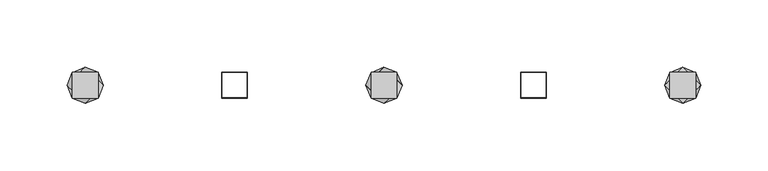
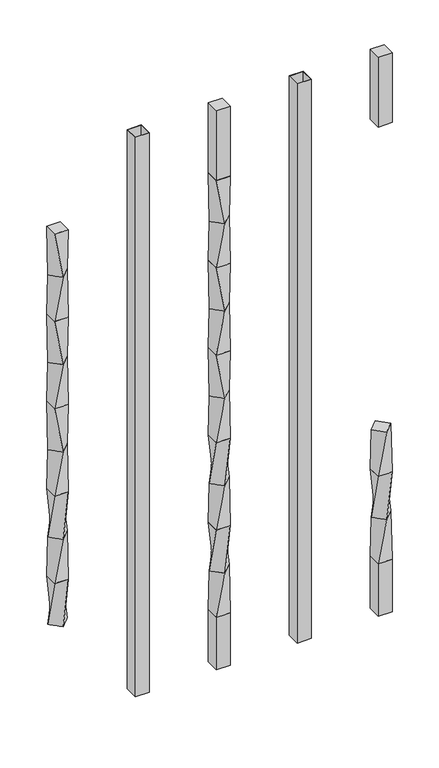
"""IFC4 building model written with IfcOpenShell, lengths in millimetres: railing geometry."""

from ifc_helpers import new_model, si_unit, frame, origin, place, context, project, spatial, polyline, outline, extrude, source, transform, mapped, element, save
from ifc_brep_helpers import plane_surface, spline_surface, advanced_brep


def railing_f73a4f4a(model_context):
    return source(origin(), model_context, "Body", "SolidModel", [
        advanced_brep(
        [(14851.6420044, -60563.4367982, 368.2958781), (14865.1123886, -60549.966414, 368.2958781), (14851.6420044, -60536.4960298, 368.2958781), (14838.1716203, -60549.966414, 368.2958781), (14842.1170044, -60559.491414, 304.7958781), (14842.1170044, -60540.441414, 304.7958781), (14861.1670044, -60540.441414, 304.7958781), (14861.1670044, -60559.491414, 304.7958781)],
        [
            (0, 1),
            (1, 2),
            (2, 3),
            (3, 0),
            (4, 5),
            (5, 6),
            (6, 7),
            (7, 4),
            (4, 0),
            (3, 5),
            (2, 6),
            (1, 7),
        ],
        [
            plane_surface(frame((14851.6420044, -60549.966414, 368.2958781), z_axis=(0.0, 0.0, 1.0), x_axis=(-0.7071067811865477, -0.7071067811865475, 0.0))),
            plane_surface(frame((14851.6420044, -60549.966414, 304.7958781), z_axis=(0.0, 0.0, -1.0), x_axis=(-0.7071067811865477, -0.7071067811865475, 0.0))),
            spline_surface(1, 1, [[(14842.1170044, -60559.491414, 304.7958781), (14842.1170044, -60540.441414, 304.7958781)], [(14851.6420044, -60563.4367982, 368.2958781), (14838.1716203, -60549.966414, 368.2958781)]], [2, 2], [2, 2], [0.0, 1.0], [0.0, 1.0]),
            spline_surface(1, 1, [[(14842.1170044, -60540.441414, 304.7958781), (14861.1670044, -60540.441414, 304.7958781)], [(14838.1716203, -60549.966414, 368.2958781), (14851.6420044, -60536.4960298, 368.2958781)]], [2, 2], [2, 2], [0.0, 1.0], [0.0, 1.0]),
            spline_surface(1, 1, [[(14861.1670044, -60540.441414, 304.7958781), (14861.1670044, -60559.491414, 304.7958781)], [(14851.6420044, -60536.4960298, 368.2958781), (14865.1123886, -60549.966414, 368.2958781)]], [2, 2], [2, 2], [0.0, 1.0], [0.0, 1.0]),
            spline_surface(1, 1, [[(14861.1670044, -60559.491414, 304.7958781), (14842.1170044, -60559.491414, 304.7958781)], [(14865.1123886, -60549.966414, 368.2958781), (14851.6420044, -60563.4367982, 368.2958781)]], [2, 2], [2, 2], [0.0, 1.0], [0.0, 1.0]),
        ],
        [
            (0, [[1, 2, 3, 4]]),
            (1, [[5, 6, 7, 8]]),
            (2, [[9, -4, 10, -5]]),
            (3, [[-10, -3, 11, -6]]),
            (4, [[-11, -2, 12, -7]]),
            (5, [[-12, -1, -9, -8]]),
        ],
    ),
        advanced_brep(
        [(14842.1170044, -60559.491414, 304.7958781), (14861.1670044, -60559.491414, 304.7958781), (14861.1670044, -60540.441414, 304.7958781), (14842.1170044, -60540.441414, 304.7958781), (14838.1716203, -60549.966414, 241.2958781), (14851.6420044, -60536.4960298, 241.2958781), (14865.1123886, -60549.966414, 241.2958781), (14851.6420044, -60563.4367982, 241.2958781)],
        [
            (0, 1),
            (1, 2),
            (2, 3),
            (3, 0),
            (4, 5),
            (5, 6),
            (6, 7),
            (7, 4),
            (4, 0),
            (3, 5),
            (2, 6),
            (1, 7),
        ],
        [
            plane_surface(frame((14851.6420044, -60549.966414, 304.7958781), z_axis=(0.0, 0.0, 1.0), x_axis=(0.0, 1.0, 0.0))),
            plane_surface(frame((14851.6420044, -60549.966414, 241.2958781), z_axis=(0.0, 0.0, -1.0), x_axis=(0.0, 1.0, 0.0))),
            spline_surface(1, 1, [[(14838.1716203, -60549.966414, 241.2958781), (14851.6420044, -60536.4960298, 241.2958781)], [(14842.1170044, -60559.491414, 304.7958781), (14842.1170044, -60540.441414, 304.7958781)]], [2, 2], [2, 2], [0.0, 1.0], [0.0, 1.0]),
            spline_surface(1, 1, [[(14851.6420044, -60536.4960298, 241.2958781), (14865.1123886, -60549.966414, 241.2958781)], [(14842.1170044, -60540.441414, 304.7958781), (14861.1670044, -60540.441414, 304.7958781)]], [2, 2], [2, 2], [0.0, 1.0], [0.0, 1.0]),
            spline_surface(1, 1, [[(14865.1123886, -60549.966414, 241.2958781), (14851.6420044, -60563.4367982, 241.2958781)], [(14861.1670044, -60540.441414, 304.7958781), (14861.1670044, -60559.491414, 304.7958781)]], [2, 2], [2, 2], [0.0, 1.0], [0.0, 1.0]),
            spline_surface(1, 1, [[(14851.6420044, -60563.4367982, 241.2958781), (14838.1716203, -60549.966414, 241.2958781)], [(14861.1670044, -60559.491414, 304.7958781), (14842.1170044, -60559.491414, 304.7958781)]], [2, 2], [2, 2], [0.0, 1.0], [0.0, 1.0]),
        ],
        [
            (0, [[1, 2, 3, 4]]),
            (1, [[5, 6, 7, 8]]),
            (2, [[9, -4, 10, -5]]),
            (3, [[-10, -3, 11, -6]]),
            (4, [[-11, -2, 12, -7]]),
            (5, [[-12, -1, -9, -8]]),
        ],
    ),
        advanced_brep(
        [(14851.6420044, -60563.4367982, 241.2958781), (14865.1123886, -60549.966414, 241.2958781), (14851.6420044, -60536.4960298, 241.2958781), (14838.1716203, -60549.966414, 241.2958781), (14842.1170044, -60559.491414, 177.7958781), (14842.1170044, -60540.441414, 177.7958781), (14861.1670044, -60540.441414, 177.7958781), (14861.1670044, -60559.491414, 177.7958781)],
        [
            (0, 1),
            (1, 2),
            (2, 3),
            (3, 0),
            (4, 5),
            (5, 6),
            (6, 7),
            (7, 4),
            (4, 0),
            (3, 5),
            (2, 6),
            (1, 7),
        ],
        [
            plane_surface(frame((14851.6420044, -60549.966414, 241.2958781), z_axis=(0.0, 0.0, 1.0), x_axis=(-0.7071067811865478, 0.7071067811865474, 0.0))),
            plane_surface(frame((14851.6420044, -60549.966414, 177.7958781), z_axis=(0.0, 0.0, -1.0), x_axis=(-0.7071067811865478, 0.7071067811865474, 0.0))),
            spline_surface(1, 1, [[(14842.1170044, -60559.491414, 177.7958781), (14842.1170044, -60540.441414, 177.7958781)], [(14851.6420044, -60563.4367982, 241.2958781), (14838.1716203, -60549.966414, 241.2958781)]], [2, 2], [2, 2], [0.0, 1.0], [0.0, 1.0]),
            spline_surface(1, 1, [[(14842.1170044, -60540.441414, 177.7958781), (14861.1670044, -60540.441414, 177.7958781)], [(14838.1716203, -60549.966414, 241.2958781), (14851.6420044, -60536.4960298, 241.2958781)]], [2, 2], [2, 2], [0.0, 1.0], [0.0, 1.0]),
            spline_surface(1, 1, [[(14861.1670044, -60540.441414, 177.7958781), (14861.1670044, -60559.491414, 177.7958781)], [(14851.6420044, -60536.4960298, 241.2958781), (14865.1123886, -60549.966414, 241.2958781)]], [2, 2], [2, 2], [0.0, 1.0], [0.0, 1.0]),
            spline_surface(1, 1, [[(14861.1670044, -60559.491414, 177.7958781), (14842.1170044, -60559.491414, 177.7958781)], [(14865.1123886, -60549.966414, 241.2958781), (14851.6420044, -60563.4367982, 241.2958781)]], [2, 2], [2, 2], [0.0, 1.0], [0.0, 1.0]),
        ],
        [
            (0, [[1, 2, 3, 4]]),
            (1, [[5, 6, 7, 8]]),
            (2, [[9, -4, 10, -5]]),
            (3, [[-10, -3, 11, -6]]),
            (4, [[-11, -2, 12, -7]]),
            (5, [[-12, -1, -9, -8]]),
        ],
    ),
        extrude(outline(polyline([(14842.1170044, -60559.491414), (14842.1170044, -60540.441414), (14861.1670044, -60540.441414), (14861.1670044, -60559.491414), (14842.1170044, -60559.491414)])), frame((0.0, 0.0, 812.7958781), z_axis=(0.0, 0.0, 1.0), x_axis=(1.0, 0.0, 0.0)), (0.0, 0.0, 1.0), 101.6041219),
        extrude(outline(polyline([(14842.1170044, -60559.491414), (14842.1170044, -60540.441414), (14861.1670044, -60540.441414), (14861.1670044, -60559.491414), (14842.1170044, -60559.491414)])), frame((0.0, 0.0, 101.5958781), z_axis=(0.0, 0.0, 1.0), x_axis=(1.0, 0.0, 0.0)), (0.0, 0.0, 1.0), 76.2),
        extrude(outline(polyline([(14730.8650044, -60559.491414), (14730.8650044, -60540.441414), (14749.9150044, -60540.441414), (14749.9150044, -60559.491414), (14730.8650044, -60559.491414)]), holes=[polyline([(14731.2618794, -60559.094539), (14749.5181294, -60559.094539), (14749.5181294, -60540.838289), (14731.2618794, -60540.838289), (14731.2618794, -60559.094539)])]), frame((0.0, 0.0, 101.5958781), z_axis=(0.0, 0.0, 1.0), x_axis=(1.0, 0.0, 0.0)), (0.0, 0.0, 1.0), 812.8041219),
        advanced_brep(
        [(14638.6630044, -60559.491414, 812.7958781), (14638.6630044, -60540.441414, 812.7958781), (14619.6130044, -60540.441414, 812.7958781), (14619.6130044, -60559.491414, 812.7958781), (14642.6083886, -60549.966414, 749.2958781), (14629.1380044, -60563.4367982, 749.2958781), (14615.6676203, -60549.966414, 749.2958781), (14629.1380044, -60536.4960298, 749.2958781)],
        [
            (0, 1),
            (1, 2),
            (2, 3),
            (3, 0),
            (4, 5),
            (5, 6),
            (6, 7),
            (7, 4),
            (4, 0),
            (3, 5),
            (2, 6),
            (1, 7),
        ],
        [
            plane_surface(frame((14629.1380044, -60549.966414, 812.7958781), z_axis=(0.0, 0.0, 1.0), x_axis=(0.0, 1.0, 0.0))),
            plane_surface(frame((14629.1380044, -60549.966414, 749.2958781), z_axis=(0.0, 0.0, -1.0), x_axis=(0.0, 1.0, 0.0))),
            spline_surface(1, 1, [[(14642.6083886, -60549.966414, 749.2958781), (14629.1380044, -60563.4367982, 749.2958781)], [(14638.6630044, -60559.491414, 812.7958781), (14619.6130044, -60559.491414, 812.7958781)]], [2, 2], [2, 2], [0.0, 1.0], [0.0, 1.0]),
            spline_surface(1, 1, [[(14629.1380044, -60563.4367982, 749.2958781), (14615.6676203, -60549.966414, 749.2958781)], [(14619.6130044, -60559.491414, 812.7958781), (14619.6130044, -60540.441414, 812.7958781)]], [2, 2], [2, 2], [0.0, 1.0], [0.0, 1.0]),
            spline_surface(1, 1, [[(14615.6676203, -60549.966414, 749.2958781), (14629.1380044, -60536.4960298, 749.2958781)], [(14619.6130044, -60540.441414, 812.7958781), (14638.6630044, -60540.441414, 812.7958781)]], [2, 2], [2, 2], [0.0, 1.0], [0.0, 1.0]),
            spline_surface(1, 1, [[(14629.1380044, -60536.4960298, 749.2958781), (14642.6083886, -60549.966414, 749.2958781)], [(14638.6630044, -60540.441414, 812.7958781), (14638.6630044, -60559.491414, 812.7958781)]], [2, 2], [2, 2], [0.0, 1.0], [0.0, 1.0]),
        ],
        [
            (0, [[1, 2, 3, 4]]),
            (1, [[5, 6, 7, 8]]),
            (2, [[9, -4, 10, -5]]),
            (3, [[-10, -3, 11, -6]]),
            (4, [[-11, -2, 12, -7]]),
            (5, [[-12, -1, -9, -8]]),
        ],
    ),
        advanced_brep(
        [(14629.1380044, -60563.4367982, 749.2958781), (14642.6083886, -60549.966414, 749.2958781), (14629.1380044, -60536.4960298, 749.2958781), (14615.6676203, -60549.966414, 749.2958781), (14619.6130044, -60559.491414, 685.7958781), (14619.6130044, -60540.441414, 685.7958781), (14638.6630044, -60540.441414, 685.7958781), (14638.6630044, -60559.491414, 685.7958781)],
        [
            (0, 1),
            (1, 2),
            (2, 3),
            (3, 0),
            (4, 5),
            (5, 6),
            (6, 7),
            (7, 4),
            (4, 0),
            (3, 5),
            (2, 6),
            (1, 7),
        ],
        [
            plane_surface(frame((14629.1380044, -60549.966414, 749.2958781), z_axis=(0.0, 0.0, 1.0), x_axis=(-0.7071067811865477, -0.7071067811865474, 0.0))),
            plane_surface(frame((14629.1380044, -60549.966414, 685.7958781), z_axis=(0.0, 0.0, -1.0), x_axis=(-0.7071067811865477, -0.7071067811865474, 0.0))),
            spline_surface(1, 1, [[(14619.6130044, -60559.491414, 685.7958781), (14619.6130044, -60540.441414, 685.7958781)], [(14629.1380044, -60563.4367982, 749.2958781), (14615.6676203, -60549.966414, 749.2958781)]], [2, 2], [2, 2], [0.0, 1.0], [0.0, 1.0]),
            spline_surface(1, 1, [[(14619.6130044, -60540.441414, 685.7958781), (14638.6630044, -60540.441414, 685.7958781)], [(14615.6676203, -60549.966414, 749.2958781), (14629.1380044, -60536.4960298, 749.2958781)]], [2, 2], [2, 2], [0.0, 1.0], [0.0, 1.0]),
            spline_surface(1, 1, [[(14638.6630044, -60540.441414, 685.7958781), (14638.6630044, -60559.491414, 685.7958781)], [(14629.1380044, -60536.4960298, 749.2958781), (14642.6083886, -60549.966414, 749.2958781)]], [2, 2], [2, 2], [0.0, 1.0], [0.0, 1.0]),
            spline_surface(1, 1, [[(14638.6630044, -60559.491414, 685.7958781), (14619.6130044, -60559.491414, 685.7958781)], [(14642.6083886, -60549.966414, 749.2958781), (14629.1380044, -60563.4367982, 749.2958781)]], [2, 2], [2, 2], [0.0, 1.0], [0.0, 1.0]),
        ],
        [
            (0, [[1, 2, 3, 4]]),
            (1, [[5, 6, 7, 8]]),
            (2, [[9, -4, 10, -5]]),
            (3, [[-10, -3, 11, -6]]),
            (4, [[-11, -2, 12, -7]]),
            (5, [[-12, -1, -9, -8]]),
        ],
    ),
        advanced_brep(
        [(14638.6630044, -60559.491414, 685.7958781), (14638.6630044, -60540.441414, 685.7958781), (14619.6130044, -60540.441414, 685.7958781), (14619.6130044, -60559.491414, 685.7958781), (14642.6083886, -60549.966414, 622.2958781), (14629.1380044, -60563.4367982, 622.2958781), (14615.6676203, -60549.966414, 622.2958781), (14629.1380044, -60536.4960298, 622.2958781)],
        [
            (0, 1),
            (1, 2),
            (2, 3),
            (3, 0),
            (4, 5),
            (5, 6),
            (6, 7),
            (7, 4),
            (4, 0),
            (3, 5),
            (2, 6),
            (1, 7),
        ],
        [
            plane_surface(frame((14629.1380044, -60549.966414, 685.7958781), z_axis=(0.0, 0.0, 1.0), x_axis=(0.0, 1.0, 0.0))),
            plane_surface(frame((14629.1380044, -60549.966414, 622.2958781), z_axis=(0.0, 0.0, -1.0), x_axis=(0.0, 1.0, 0.0))),
            spline_surface(1, 1, [[(14642.6083886, -60549.966414, 622.2958781), (14629.1380044, -60563.4367982, 622.2958781)], [(14638.6630044, -60559.491414, 685.7958781), (14619.6130044, -60559.491414, 685.7958781)]], [2, 2], [2, 2], [0.0, 1.0], [0.0, 1.0]),
            spline_surface(1, 1, [[(14629.1380044, -60563.4367982, 622.2958781), (14615.6676203, -60549.966414, 622.2958781)], [(14619.6130044, -60559.491414, 685.7958781), (14619.6130044, -60540.441414, 685.7958781)]], [2, 2], [2, 2], [0.0, 1.0], [0.0, 1.0]),
            spline_surface(1, 1, [[(14615.6676203, -60549.966414, 622.2958781), (14629.1380044, -60536.4960298, 622.2958781)], [(14619.6130044, -60540.441414, 685.7958781), (14638.6630044, -60540.441414, 685.7958781)]], [2, 2], [2, 2], [0.0, 1.0], [0.0, 1.0]),
            spline_surface(1, 1, [[(14629.1380044, -60536.4960298, 622.2958781), (14642.6083886, -60549.966414, 622.2958781)], [(14638.6630044, -60540.441414, 685.7958781), (14638.6630044, -60559.491414, 685.7958781)]], [2, 2], [2, 2], [0.0, 1.0], [0.0, 1.0]),
        ],
        [
            (0, [[1, 2, 3, 4]]),
            (1, [[5, 6, 7, 8]]),
            (2, [[9, -4, 10, -5]]),
            (3, [[-10, -3, 11, -6]]),
            (4, [[-11, -2, 12, -7]]),
            (5, [[-12, -1, -9, -8]]),
        ],
    ),
        advanced_brep(
        [(14629.1380044, -60563.4367982, 622.2958781), (14642.6083886, -60549.966414, 622.2958781), (14629.1380044, -60536.4960298, 622.2958781), (14615.6676203, -60549.966414, 622.2958781), (14619.6130044, -60559.491414, 558.7958781), (14619.6130044, -60540.441414, 558.7958781), (14638.6630044, -60540.441414, 558.7958781), (14638.6630044, -60559.491414, 558.7958781)],
        [
            (0, 1),
            (1, 2),
            (2, 3),
            (3, 0),
            (4, 5),
            (5, 6),
            (6, 7),
            (7, 4),
            (4, 0),
            (3, 5),
            (2, 6),
            (1, 7),
        ],
        [
            plane_surface(frame((14629.1380044, -60549.966414, 622.2958781), z_axis=(0.0, 0.0, 1.0), x_axis=(-0.7071067811865477, -0.7071067811865475, 0.0))),
            plane_surface(frame((14629.1380044, -60549.966414, 558.7958781), z_axis=(0.0, 0.0, -1.0), x_axis=(-0.7071067811865477, -0.7071067811865475, 0.0))),
            spline_surface(1, 1, [[(14619.6130044, -60559.491414, 558.7958781), (14619.6130044, -60540.441414, 558.7958781)], [(14629.1380044, -60563.4367982, 622.2958781), (14615.6676203, -60549.966414, 622.2958781)]], [2, 2], [2, 2], [0.0, 1.0], [0.0, 1.0]),
            spline_surface(1, 1, [[(14619.6130044, -60540.441414, 558.7958781), (14638.6630044, -60540.441414, 558.7958781)], [(14615.6676203, -60549.966414, 622.2958781), (14629.1380044, -60536.4960298, 622.2958781)]], [2, 2], [2, 2], [0.0, 1.0], [0.0, 1.0]),
            spline_surface(1, 1, [[(14638.6630044, -60540.441414, 558.7958781), (14638.6630044, -60559.491414, 558.7958781)], [(14629.1380044, -60536.4960298, 622.2958781), (14642.6083886, -60549.966414, 622.2958781)]], [2, 2], [2, 2], [0.0, 1.0], [0.0, 1.0]),
            spline_surface(1, 1, [[(14638.6630044, -60559.491414, 558.7958781), (14619.6130044, -60559.491414, 558.7958781)], [(14642.6083886, -60549.966414, 622.2958781), (14629.1380044, -60563.4367982, 622.2958781)]], [2, 2], [2, 2], [0.0, 1.0], [0.0, 1.0]),
        ],
        [
            (0, [[1, 2, 3, 4]]),
            (1, [[5, 6, 7, 8]]),
            (2, [[9, -4, 10, -5]]),
            (3, [[-10, -3, 11, -6]]),
            (4, [[-11, -2, 12, -7]]),
            (5, [[-12, -1, -9, -8]]),
        ],
    ),
        advanced_brep(
        [(14638.6630044, -60559.491414, 558.7958781), (14638.6630044, -60540.441414, 558.7958781), (14619.6130044, -60540.441414, 558.7958781), (14619.6130044, -60559.491414, 558.7958781), (14642.6083886, -60549.966414, 495.2958781), (14629.1380044, -60563.4367982, 495.2958781), (14615.6676203, -60549.966414, 495.2958781), (14629.1380044, -60536.4960298, 495.2958781)],
        [
            (0, 1),
            (1, 2),
            (2, 3),
            (3, 0),
            (4, 5),
            (5, 6),
            (6, 7),
            (7, 4),
            (4, 0),
            (3, 5),
            (2, 6),
            (1, 7),
        ],
        [
            plane_surface(frame((14629.1380044, -60549.966414, 558.7958781), z_axis=(0.0, 0.0, 1.0), x_axis=(0.0, 1.0, 0.0))),
            plane_surface(frame((14629.1380044, -60549.966414, 495.2958781), z_axis=(0.0, 0.0, -1.0), x_axis=(0.0, 1.0, 0.0))),
            spline_surface(1, 1, [[(14642.6083886, -60549.966414, 495.2958781), (14629.1380044, -60563.4367982, 495.2958781)], [(14638.6630044, -60559.491414, 558.7958781), (14619.6130044, -60559.491414, 558.7958781)]], [2, 2], [2, 2], [0.0, 1.0], [0.0, 1.0]),
            spline_surface(1, 1, [[(14629.1380044, -60563.4367982, 495.2958781), (14615.6676203, -60549.966414, 495.2958781)], [(14619.6130044, -60559.491414, 558.7958781), (14619.6130044, -60540.441414, 558.7958781)]], [2, 2], [2, 2], [0.0, 1.0], [0.0, 1.0]),
            spline_surface(1, 1, [[(14615.6676203, -60549.966414, 495.2958781), (14629.1380044, -60536.4960298, 495.2958781)], [(14619.6130044, -60540.441414, 558.7958781), (14638.6630044, -60540.441414, 558.7958781)]], [2, 2], [2, 2], [0.0, 1.0], [0.0, 1.0]),
            spline_surface(1, 1, [[(14629.1380044, -60536.4960298, 495.2958781), (14642.6083886, -60549.966414, 495.2958781)], [(14638.6630044, -60540.441414, 558.7958781), (14638.6630044, -60559.491414, 558.7958781)]], [2, 2], [2, 2], [0.0, 1.0], [0.0, 1.0]),
        ],
        [
            (0, [[1, 2, 3, 4]]),
            (1, [[5, 6, 7, 8]]),
            (2, [[9, -4, 10, -5]]),
            (3, [[-10, -3, 11, -6]]),
            (4, [[-11, -2, 12, -7]]),
            (5, [[-12, -1, -9, -8]]),
        ],
    ),
        advanced_brep(
        [(14629.1380044, -60563.4367982, 495.2958781), (14642.6083886, -60549.966414, 495.2958781), (14629.1380044, -60536.4960298, 495.2958781), (14615.6676203, -60549.966414, 495.2958781), (14619.6130044, -60559.491414, 431.7958781), (14619.6130044, -60540.441414, 431.7958781), (14638.6630044, -60540.441414, 431.7958781), (14638.6630044, -60559.491414, 431.7958781)],
        [
            (0, 1),
            (1, 2),
            (2, 3),
            (3, 0),
            (4, 5),
            (5, 6),
            (6, 7),
            (7, 4),
            (4, 0),
            (3, 5),
            (2, 6),
            (1, 7),
        ],
        [
            plane_surface(frame((14629.1380044, -60549.966414, 495.2958781), z_axis=(0.0, 0.0, 1.0), x_axis=(-0.7071067811865477, -0.7071067811865474, 0.0))),
            plane_surface(frame((14629.1380044, -60549.966414, 431.7958781), z_axis=(0.0, 0.0, -1.0), x_axis=(-0.7071067811865477, -0.7071067811865474, 0.0))),
            spline_surface(1, 1, [[(14619.6130044, -60559.491414, 431.7958781), (14619.6130044, -60540.441414, 431.7958781)], [(14629.1380044, -60563.4367982, 495.2958781), (14615.6676203, -60549.966414, 495.2958781)]], [2, 2], [2, 2], [0.0, 1.0], [0.0, 1.0]),
            spline_surface(1, 1, [[(14619.6130044, -60540.441414, 431.7958781), (14638.6630044, -60540.441414, 431.7958781)], [(14615.6676203, -60549.966414, 495.2958781), (14629.1380044, -60536.4960298, 495.2958781)]], [2, 2], [2, 2], [0.0, 1.0], [0.0, 1.0]),
            spline_surface(1, 1, [[(14638.6630044, -60540.441414, 431.7958781), (14638.6630044, -60559.491414, 431.7958781)], [(14629.1380044, -60536.4960298, 495.2958781), (14642.6083886, -60549.966414, 495.2958781)]], [2, 2], [2, 2], [0.0, 1.0], [0.0, 1.0]),
            spline_surface(1, 1, [[(14638.6630044, -60559.491414, 431.7958781), (14619.6130044, -60559.491414, 431.7958781)], [(14642.6083886, -60549.966414, 495.2958781), (14629.1380044, -60563.4367982, 495.2958781)]], [2, 2], [2, 2], [0.0, 1.0], [0.0, 1.0]),
        ],
        [
            (0, [[1, 2, 3, 4]]),
            (1, [[5, 6, 7, 8]]),
            (2, [[9, -4, 10, -5]]),
            (3, [[-10, -3, 11, -6]]),
            (4, [[-11, -2, 12, -7]]),
            (5, [[-12, -1, -9, -8]]),
        ],
    ),
        advanced_brep(
        [(14619.6130044, -60559.491414, 431.7958781), (14638.6630044, -60559.491414, 431.7958781), (14638.6630044, -60540.441414, 431.7958781), (14619.6130044, -60540.441414, 431.7958781), (14615.6676203, -60549.966414, 368.2958781), (14629.1380044, -60536.4960298, 368.2958781), (14642.6083886, -60549.966414, 368.2958781), (14629.1380044, -60563.4367982, 368.2958781)],
        [
            (0, 1),
            (1, 2),
            (2, 3),
            (3, 0),
            (4, 5),
            (5, 6),
            (6, 7),
            (7, 4),
            (4, 0),
            (3, 5),
            (2, 6),
            (1, 7),
        ],
        [
            plane_surface(frame((14629.1380044, -60549.966414, 431.7958781), z_axis=(0.0, 0.0, 1.0), x_axis=(0.0, 1.0, 0.0))),
            plane_surface(frame((14629.1380044, -60549.966414, 368.2958781), z_axis=(0.0, 0.0, -1.0), x_axis=(0.0, 1.0, 0.0))),
            spline_surface(1, 1, [[(14615.6676203, -60549.966414, 368.2958781), (14629.1380044, -60536.4960298, 368.2958781)], [(14619.6130044, -60559.491414, 431.7958781), (14619.6130044, -60540.441414, 431.7958781)]], [2, 2], [2, 2], [0.0, 1.0], [0.0, 1.0]),
            spline_surface(1, 1, [[(14629.1380044, -60536.4960298, 368.2958781), (14642.6083886, -60549.966414, 368.2958781)], [(14619.6130044, -60540.441414, 431.7958781), (14638.6630044, -60540.441414, 431.7958781)]], [2, 2], [2, 2], [0.0, 1.0], [0.0, 1.0]),
            spline_surface(1, 1, [[(14642.6083886, -60549.966414, 368.2958781), (14629.1380044, -60563.4367982, 368.2958781)], [(14638.6630044, -60540.441414, 431.7958781), (14638.6630044, -60559.491414, 431.7958781)]], [2, 2], [2, 2], [0.0, 1.0], [0.0, 1.0]),
            spline_surface(1, 1, [[(14629.1380044, -60563.4367982, 368.2958781), (14615.6676203, -60549.966414, 368.2958781)], [(14638.6630044, -60559.491414, 431.7958781), (14619.6130044, -60559.491414, 431.7958781)]], [2, 2], [2, 2], [0.0, 1.0], [0.0, 1.0]),
        ],
        [
            (0, [[1, 2, 3, 4]]),
            (1, [[5, 6, 7, 8]]),
            (2, [[9, -4, 10, -5]]),
            (3, [[-10, -3, 11, -6]]),
            (4, [[-11, -2, 12, -7]]),
            (5, [[-12, -1, -9, -8]]),
        ],
    ),
        advanced_brep(
        [(14629.1380044, -60563.4367982, 368.2958781), (14642.6083886, -60549.966414, 368.2958781), (14629.1380044, -60536.4960298, 368.2958781), (14615.6676203, -60549.966414, 368.2958781), (14619.6130044, -60559.491414, 304.7958781), (14619.6130044, -60540.441414, 304.7958781), (14638.6630044, -60540.441414, 304.7958781), (14638.6630044, -60559.491414, 304.7958781)],
        [
            (0, 1),
            (1, 2),
            (2, 3),
            (3, 0),
            (4, 5),
            (5, 6),
            (6, 7),
            (7, 4),
            (4, 0),
            (3, 5),
            (2, 6),
            (1, 7),
        ],
        [
            plane_surface(frame((14629.1380044, -60549.966414, 368.2958781), z_axis=(0.0, 0.0, 1.0), x_axis=(-0.7071067811865477, -0.7071067811865475, 0.0))),
            plane_surface(frame((14629.1380044, -60549.966414, 304.7958781), z_axis=(0.0, 0.0, -1.0), x_axis=(-0.7071067811865477, -0.7071067811865475, 0.0))),
            spline_surface(1, 1, [[(14619.6130044, -60559.491414, 304.7958781), (14619.6130044, -60540.441414, 304.7958781)], [(14629.1380044, -60563.4367982, 368.2958781), (14615.6676203, -60549.966414, 368.2958781)]], [2, 2], [2, 2], [0.0, 1.0], [0.0, 1.0]),
            spline_surface(1, 1, [[(14619.6130044, -60540.441414, 304.7958781), (14638.6630044, -60540.441414, 304.7958781)], [(14615.6676203, -60549.966414, 368.2958781), (14629.1380044, -60536.4960298, 368.2958781)]], [2, 2], [2, 2], [0.0, 1.0], [0.0, 1.0]),
            spline_surface(1, 1, [[(14638.6630044, -60540.441414, 304.7958781), (14638.6630044, -60559.491414, 304.7958781)], [(14629.1380044, -60536.4960298, 368.2958781), (14642.6083886, -60549.966414, 368.2958781)]], [2, 2], [2, 2], [0.0, 1.0], [0.0, 1.0]),
            spline_surface(1, 1, [[(14638.6630044, -60559.491414, 304.7958781), (14619.6130044, -60559.491414, 304.7958781)], [(14642.6083886, -60549.966414, 368.2958781), (14629.1380044, -60563.4367982, 368.2958781)]], [2, 2], [2, 2], [0.0, 1.0], [0.0, 1.0]),
        ],
        [
            (0, [[1, 2, 3, 4]]),
            (1, [[5, 6, 7, 8]]),
            (2, [[9, -4, 10, -5]]),
            (3, [[-10, -3, 11, -6]]),
            (4, [[-11, -2, 12, -7]]),
            (5, [[-12, -1, -9, -8]]),
        ],
    ),
        advanced_brep(
        [(14619.6130044, -60559.491414, 304.7958781), (14638.6630044, -60559.491414, 304.7958781), (14638.6630044, -60540.441414, 304.7958781), (14619.6130044, -60540.441414, 304.7958781), (14615.6676203, -60549.966414, 241.2958781), (14629.1380044, -60536.4960298, 241.2958781), (14642.6083886, -60549.966414, 241.2958781), (14629.1380044, -60563.4367982, 241.2958781)],
        [
            (0, 1),
            (1, 2),
            (2, 3),
            (3, 0),
            (4, 5),
            (5, 6),
            (6, 7),
            (7, 4),
            (4, 0),
            (3, 5),
            (2, 6),
            (1, 7),
        ],
        [
            plane_surface(frame((14629.1380044, -60549.966414, 304.7958781), z_axis=(0.0, 0.0, 1.0), x_axis=(0.0, 1.0, 0.0))),
            plane_surface(frame((14629.1380044, -60549.966414, 241.2958781), z_axis=(0.0, 0.0, -1.0), x_axis=(0.0, 1.0, 0.0))),
            spline_surface(1, 1, [[(14615.6676203, -60549.966414, 241.2958781), (14629.1380044, -60536.4960298, 241.2958781)], [(14619.6130044, -60559.491414, 304.7958781), (14619.6130044, -60540.441414, 304.7958781)]], [2, 2], [2, 2], [0.0, 1.0], [0.0, 1.0]),
            spline_surface(1, 1, [[(14629.1380044, -60536.4960298, 241.2958781), (14642.6083886, -60549.966414, 241.2958781)], [(14619.6130044, -60540.441414, 304.7958781), (14638.6630044, -60540.441414, 304.7958781)]], [2, 2], [2, 2], [0.0, 1.0], [0.0, 1.0]),
            spline_surface(1, 1, [[(14642.6083886, -60549.966414, 241.2958781), (14629.1380044, -60563.4367982, 241.2958781)], [(14638.6630044, -60540.441414, 304.7958781), (14638.6630044, -60559.491414, 304.7958781)]], [2, 2], [2, 2], [0.0, 1.0], [0.0, 1.0]),
            spline_surface(1, 1, [[(14629.1380044, -60563.4367982, 241.2958781), (14615.6676203, -60549.966414, 241.2958781)], [(14638.6630044, -60559.491414, 304.7958781), (14619.6130044, -60559.491414, 304.7958781)]], [2, 2], [2, 2], [0.0, 1.0], [0.0, 1.0]),
        ],
        [
            (0, [[1, 2, 3, 4]]),
            (1, [[5, 6, 7, 8]]),
            (2, [[9, -4, 10, -5]]),
            (3, [[-10, -3, 11, -6]]),
            (4, [[-11, -2, 12, -7]]),
            (5, [[-12, -1, -9, -8]]),
        ],
    ),
        advanced_brep(
        [(14629.1380044, -60563.4367982, 241.2958781), (14642.6083886, -60549.966414, 241.2958781), (14629.1380044, -60536.4960298, 241.2958781), (14615.6676203, -60549.966414, 241.2958781), (14619.6130044, -60559.491414, 177.7958781), (14619.6130044, -60540.441414, 177.7958781), (14638.6630044, -60540.441414, 177.7958781), (14638.6630044, -60559.491414, 177.7958781)],
        [
            (0, 1),
            (1, 2),
            (2, 3),
            (3, 0),
            (4, 5),
            (5, 6),
            (6, 7),
            (7, 4),
            (4, 0),
            (3, 5),
            (2, 6),
            (1, 7),
        ],
        [
            plane_surface(frame((14629.1380044, -60549.966414, 241.2958781), z_axis=(0.0, 0.0, 1.0), x_axis=(-0.7071067811865478, 0.7071067811865474, 0.0))),
            plane_surface(frame((14629.1380044, -60549.966414, 177.7958781), z_axis=(0.0, 0.0, -1.0), x_axis=(-0.7071067811865478, 0.7071067811865474, 0.0))),
            spline_surface(1, 1, [[(14619.6130044, -60559.491414, 177.7958781), (14619.6130044, -60540.441414, 177.7958781)], [(14629.1380044, -60563.4367982, 241.2958781), (14615.6676203, -60549.966414, 241.2958781)]], [2, 2], [2, 2], [0.0, 1.0], [0.0, 1.0]),
            spline_surface(1, 1, [[(14619.6130044, -60540.441414, 177.7958781), (14638.6630044, -60540.441414, 177.7958781)], [(14615.6676203, -60549.966414, 241.2958781), (14629.1380044, -60536.4960298, 241.2958781)]], [2, 2], [2, 2], [0.0, 1.0], [0.0, 1.0]),
            spline_surface(1, 1, [[(14638.6630044, -60540.441414, 177.7958781), (14638.6630044, -60559.491414, 177.7958781)], [(14629.1380044, -60536.4960298, 241.2958781), (14642.6083886, -60549.966414, 241.2958781)]], [2, 2], [2, 2], [0.0, 1.0], [0.0, 1.0]),
            spline_surface(1, 1, [[(14638.6630044, -60559.491414, 177.7958781), (14619.6130044, -60559.491414, 177.7958781)], [(14642.6083886, -60549.966414, 241.2958781), (14629.1380044, -60563.4367982, 241.2958781)]], [2, 2], [2, 2], [0.0, 1.0], [0.0, 1.0]),
        ],
        [
            (0, [[1, 2, 3, 4]]),
            (1, [[5, 6, 7, 8]]),
            (2, [[9, -4, 10, -5]]),
            (3, [[-10, -3, 11, -6]]),
            (4, [[-11, -2, 12, -7]]),
            (5, [[-12, -1, -9, -8]]),
        ],
    ),
        extrude(outline(polyline([(14619.6130044, -60559.491414), (14619.6130044, -60540.441414), (14638.6630044, -60540.441414), (14638.6630044, -60559.491414), (14619.6130044, -60559.491414)])), frame((0.0, 0.0, 812.7958781), z_axis=(0.0, 0.0, 1.0), x_axis=(1.0, 0.0, 0.0)), (0.0, 0.0, 1.0), 101.6041219),
        extrude(outline(polyline([(14619.6130044, -60559.491414), (14619.6130044, -60540.441414), (14638.6630044, -60540.441414), (14638.6630044, -60559.491414), (14619.6130044, -60559.491414)])), frame((0.0, 0.0, 101.5958781), z_axis=(0.0, 0.0, 1.0), x_axis=(1.0, 0.0, 0.0)), (0.0, 0.0, 1.0), 76.2),
        extrude(outline(polyline([(14508.3610044, -60559.491414), (14508.3610044, -60540.441414), (14527.4110044, -60540.441414), (14527.4110044, -60559.491414), (14508.3610044, -60559.491414)]), holes=[polyline([(14508.7578794, -60559.094539), (14527.0141294, -60559.094539), (14527.0141294, -60540.838289), (14508.7578794, -60540.838289), (14508.7578794, -60559.094539)])]), frame((0.0, 0.0, 101.5958781), z_axis=(0.0, 0.0, 1.0), x_axis=(1.0, 0.0, 0.0)), (0.0, 0.0, 1.0), 812.8041219),
        advanced_brep(
        [(14416.1590044, -60559.491414, 812.7958781), (14416.1590044, -60540.441414, 812.7958781), (14397.1090044, -60540.441414, 812.7958781), (14397.1090044, -60559.491414, 812.7958781), (14420.1043886, -60549.966414, 749.2958781), (14406.6340044, -60563.4367982, 749.2958781), (14393.1636203, -60549.966414, 749.2958781), (14406.6340044, -60536.4960298, 749.2958781)],
        [
            (0, 1),
            (1, 2),
            (2, 3),
            (3, 0),
            (4, 5),
            (5, 6),
            (6, 7),
            (7, 4),
            (4, 0),
            (3, 5),
            (2, 6),
            (1, 7),
        ],
        [
            plane_surface(frame((14406.6340044, -60549.966414, 812.7958781), z_axis=(0.0, 0.0, 1.0), x_axis=(0.0, 1.0, 0.0))),
            plane_surface(frame((14406.6340044, -60549.966414, 749.2958781), z_axis=(0.0, 0.0, -1.0), x_axis=(0.0, 1.0, 0.0))),
            spline_surface(1, 1, [[(14420.1043886, -60549.966414, 749.2958781), (14406.6340044, -60563.4367982, 749.2958781)], [(14416.1590044, -60559.491414, 812.7958781), (14397.1090044, -60559.491414, 812.7958781)]], [2, 2], [2, 2], [0.0, 1.0], [0.0, 1.0]),
            spline_surface(1, 1, [[(14406.6340044, -60563.4367982, 749.2958781), (14393.1636203, -60549.966414, 749.2958781)], [(14397.1090044, -60559.491414, 812.7958781), (14397.1090044, -60540.441414, 812.7958781)]], [2, 2], [2, 2], [0.0, 1.0], [0.0, 1.0]),
            spline_surface(1, 1, [[(14393.1636203, -60549.966414, 749.2958781), (14406.6340044, -60536.4960298, 749.2958781)], [(14397.1090044, -60540.441414, 812.7958781), (14416.1590044, -60540.441414, 812.7958781)]], [2, 2], [2, 2], [0.0, 1.0], [0.0, 1.0]),
            spline_surface(1, 1, [[(14406.6340044, -60536.4960298, 749.2958781), (14420.1043886, -60549.966414, 749.2958781)], [(14416.1590044, -60540.441414, 812.7958781), (14416.1590044, -60559.491414, 812.7958781)]], [2, 2], [2, 2], [0.0, 1.0], [0.0, 1.0]),
        ],
        [
            (0, [[1, 2, 3, 4]]),
            (1, [[5, 6, 7, 8]]),
            (2, [[9, -4, 10, -5]]),
            (3, [[-10, -3, 11, -6]]),
            (4, [[-11, -2, 12, -7]]),
            (5, [[-12, -1, -9, -8]]),
        ],
    ),
        advanced_brep(
        [(14406.6340044, -60563.4367982, 749.2958781), (14420.1043886, -60549.966414, 749.2958781), (14406.6340044, -60536.4960298, 749.2958781), (14393.1636203, -60549.966414, 749.2958781), (14397.1090044, -60559.491414, 685.7958781), (14397.1090044, -60540.441414, 685.7958781), (14416.1590044, -60540.441414, 685.7958781), (14416.1590044, -60559.491414, 685.7958781)],
        [
            (0, 1),
            (1, 2),
            (2, 3),
            (3, 0),
            (4, 5),
            (5, 6),
            (6, 7),
            (7, 4),
            (4, 0),
            (3, 5),
            (2, 6),
            (1, 7),
        ],
        [
            plane_surface(frame((14406.6340044, -60549.966414, 749.2958781), z_axis=(0.0, 0.0, 1.0), x_axis=(-0.7071067811865477, -0.7071067811865474, 0.0))),
            plane_surface(frame((14406.6340044, -60549.966414, 685.7958781), z_axis=(0.0, 0.0, -1.0), x_axis=(-0.7071067811865477, -0.7071067811865474, 0.0))),
            spline_surface(1, 1, [[(14397.1090044, -60559.491414, 685.7958781), (14397.1090044, -60540.441414, 685.7958781)], [(14406.6340044, -60563.4367982, 749.2958781), (14393.1636203, -60549.966414, 749.2958781)]], [2, 2], [2, 2], [0.0, 1.0], [0.0, 1.0]),
            spline_surface(1, 1, [[(14397.1090044, -60540.441414, 685.7958781), (14416.1590044, -60540.441414, 685.7958781)], [(14393.1636203, -60549.966414, 749.2958781), (14406.6340044, -60536.4960298, 749.2958781)]], [2, 2], [2, 2], [0.0, 1.0], [0.0, 1.0]),
            spline_surface(1, 1, [[(14416.1590044, -60540.441414, 685.7958781), (14416.1590044, -60559.491414, 685.7958781)], [(14406.6340044, -60536.4960298, 749.2958781), (14420.1043886, -60549.966414, 749.2958781)]], [2, 2], [2, 2], [0.0, 1.0], [0.0, 1.0]),
            spline_surface(1, 1, [[(14416.1590044, -60559.491414, 685.7958781), (14397.1090044, -60559.491414, 685.7958781)], [(14420.1043886, -60549.966414, 749.2958781), (14406.6340044, -60563.4367982, 749.2958781)]], [2, 2], [2, 2], [0.0, 1.0], [0.0, 1.0]),
        ],
        [
            (0, [[1, 2, 3, 4]]),
            (1, [[5, 6, 7, 8]]),
            (2, [[9, -4, 10, -5]]),
            (3, [[-10, -3, 11, -6]]),
            (4, [[-11, -2, 12, -7]]),
            (5, [[-12, -1, -9, -8]]),
        ],
    ),
        advanced_brep(
        [(14416.1590044, -60559.491414, 685.7958781), (14416.1590044, -60540.441414, 685.7958781), (14397.1090044, -60540.441414, 685.7958781), (14397.1090044, -60559.491414, 685.7958781), (14420.1043886, -60549.966414, 622.2958781), (14406.6340044, -60563.4367982, 622.2958781), (14393.1636203, -60549.966414, 622.2958781), (14406.6340044, -60536.4960298, 622.2958781)],
        [
            (0, 1),
            (1, 2),
            (2, 3),
            (3, 0),
            (4, 5),
            (5, 6),
            (6, 7),
            (7, 4),
            (4, 0),
            (3, 5),
            (2, 6),
            (1, 7),
        ],
        [
            plane_surface(frame((14406.6340044, -60549.966414, 685.7958781), z_axis=(0.0, 0.0, 1.0), x_axis=(0.0, 1.0, 0.0))),
            plane_surface(frame((14406.6340044, -60549.966414, 622.2958781), z_axis=(0.0, 0.0, -1.0), x_axis=(0.0, 1.0, 0.0))),
            spline_surface(1, 1, [[(14420.1043886, -60549.966414, 622.2958781), (14406.6340044, -60563.4367982, 622.2958781)], [(14416.1590044, -60559.491414, 685.7958781), (14397.1090044, -60559.491414, 685.7958781)]], [2, 2], [2, 2], [0.0, 1.0], [0.0, 1.0]),
            spline_surface(1, 1, [[(14406.6340044, -60563.4367982, 622.2958781), (14393.1636203, -60549.966414, 622.2958781)], [(14397.1090044, -60559.491414, 685.7958781), (14397.1090044, -60540.441414, 685.7958781)]], [2, 2], [2, 2], [0.0, 1.0], [0.0, 1.0]),
            spline_surface(1, 1, [[(14393.1636203, -60549.966414, 622.2958781), (14406.6340044, -60536.4960298, 622.2958781)], [(14397.1090044, -60540.441414, 685.7958781), (14416.1590044, -60540.441414, 685.7958781)]], [2, 2], [2, 2], [0.0, 1.0], [0.0, 1.0]),
            spline_surface(1, 1, [[(14406.6340044, -60536.4960298, 622.2958781), (14420.1043886, -60549.966414, 622.2958781)], [(14416.1590044, -60540.441414, 685.7958781), (14416.1590044, -60559.491414, 685.7958781)]], [2, 2], [2, 2], [0.0, 1.0], [0.0, 1.0]),
        ],
        [
            (0, [[1, 2, 3, 4]]),
            (1, [[5, 6, 7, 8]]),
            (2, [[9, -4, 10, -5]]),
            (3, [[-10, -3, 11, -6]]),
            (4, [[-11, -2, 12, -7]]),
            (5, [[-12, -1, -9, -8]]),
        ],
    ),
        advanced_brep(
        [(14406.6340044, -60563.4367982, 622.2958781), (14420.1043886, -60549.966414, 622.2958781), (14406.6340044, -60536.4960298, 622.2958781), (14393.1636203, -60549.966414, 622.2958781), (14397.1090044, -60559.491414, 558.7958781), (14397.1090044, -60540.441414, 558.7958781), (14416.1590044, -60540.441414, 558.7958781), (14416.1590044, -60559.491414, 558.7958781)],
        [
            (0, 1),
            (1, 2),
            (2, 3),
            (3, 0),
            (4, 5),
            (5, 6),
            (6, 7),
            (7, 4),
            (4, 0),
            (3, 5),
            (2, 6),
            (1, 7),
        ],
        [
            plane_surface(frame((14406.6340044, -60549.966414, 622.2958781), z_axis=(0.0, 0.0, 1.0), x_axis=(-0.7071067811865477, -0.7071067811865475, 0.0))),
            plane_surface(frame((14406.6340044, -60549.966414, 558.7958781), z_axis=(0.0, 0.0, -1.0), x_axis=(-0.7071067811865477, -0.7071067811865475, 0.0))),
            spline_surface(1, 1, [[(14397.1090044, -60559.491414, 558.7958781), (14397.1090044, -60540.441414, 558.7958781)], [(14406.6340044, -60563.4367982, 622.2958781), (14393.1636203, -60549.966414, 622.2958781)]], [2, 2], [2, 2], [0.0, 1.0], [0.0, 1.0]),
            spline_surface(1, 1, [[(14397.1090044, -60540.441414, 558.7958781), (14416.1590044, -60540.441414, 558.7958781)], [(14393.1636203, -60549.966414, 622.2958781), (14406.6340044, -60536.4960298, 622.2958781)]], [2, 2], [2, 2], [0.0, 1.0], [0.0, 1.0]),
            spline_surface(1, 1, [[(14416.1590044, -60540.441414, 558.7958781), (14416.1590044, -60559.491414, 558.7958781)], [(14406.6340044, -60536.4960298, 622.2958781), (14420.1043886, -60549.966414, 622.2958781)]], [2, 2], [2, 2], [0.0, 1.0], [0.0, 1.0]),
            spline_surface(1, 1, [[(14416.1590044, -60559.491414, 558.7958781), (14397.1090044, -60559.491414, 558.7958781)], [(14420.1043886, -60549.966414, 622.2958781), (14406.6340044, -60563.4367982, 622.2958781)]], [2, 2], [2, 2], [0.0, 1.0], [0.0, 1.0]),
        ],
        [
            (0, [[1, 2, 3, 4]]),
            (1, [[5, 6, 7, 8]]),
            (2, [[9, -4, 10, -5]]),
            (3, [[-10, -3, 11, -6]]),
            (4, [[-11, -2, 12, -7]]),
            (5, [[-12, -1, -9, -8]]),
        ],
    ),
        advanced_brep(
        [(14416.1590044, -60559.491414, 558.7958781), (14416.1590044, -60540.441414, 558.7958781), (14397.1090044, -60540.441414, 558.7958781), (14397.1090044, -60559.491414, 558.7958781), (14420.1043886, -60549.966414, 495.2958781), (14406.6340044, -60563.4367982, 495.2958781), (14393.1636203, -60549.966414, 495.2958781), (14406.6340044, -60536.4960298, 495.2958781)],
        [
            (0, 1),
            (1, 2),
            (2, 3),
            (3, 0),
            (4, 5),
            (5, 6),
            (6, 7),
            (7, 4),
            (4, 0),
            (3, 5),
            (2, 6),
            (1, 7),
        ],
        [
            plane_surface(frame((14406.6340044, -60549.966414, 558.7958781), z_axis=(0.0, 0.0, 1.0), x_axis=(0.0, 1.0, 0.0))),
            plane_surface(frame((14406.6340044, -60549.966414, 495.2958781), z_axis=(0.0, 0.0, -1.0), x_axis=(0.0, 1.0, 0.0))),
            spline_surface(1, 1, [[(14420.1043886, -60549.966414, 495.2958781), (14406.6340044, -60563.4367982, 495.2958781)], [(14416.1590044, -60559.491414, 558.7958781), (14397.1090044, -60559.491414, 558.7958781)]], [2, 2], [2, 2], [0.0, 1.0], [0.0, 1.0]),
            spline_surface(1, 1, [[(14406.6340044, -60563.4367982, 495.2958781), (14393.1636203, -60549.966414, 495.2958781)], [(14397.1090044, -60559.491414, 558.7958781), (14397.1090044, -60540.441414, 558.7958781)]], [2, 2], [2, 2], [0.0, 1.0], [0.0, 1.0]),
            spline_surface(1, 1, [[(14393.1636203, -60549.966414, 495.2958781), (14406.6340044, -60536.4960298, 495.2958781)], [(14397.1090044, -60540.441414, 558.7958781), (14416.1590044, -60540.441414, 558.7958781)]], [2, 2], [2, 2], [0.0, 1.0], [0.0, 1.0]),
            spline_surface(1, 1, [[(14406.6340044, -60536.4960298, 495.2958781), (14420.1043886, -60549.966414, 495.2958781)], [(14416.1590044, -60540.441414, 558.7958781), (14416.1590044, -60559.491414, 558.7958781)]], [2, 2], [2, 2], [0.0, 1.0], [0.0, 1.0]),
        ],
        [
            (0, [[1, 2, 3, 4]]),
            (1, [[5, 6, 7, 8]]),
            (2, [[9, -4, 10, -5]]),
            (3, [[-10, -3, 11, -6]]),
            (4, [[-11, -2, 12, -7]]),
            (5, [[-12, -1, -9, -8]]),
        ],
    ),
        advanced_brep(
        [(14406.6340044, -60563.4367982, 495.2958781), (14420.1043886, -60549.966414, 495.2958781), (14406.6340044, -60536.4960298, 495.2958781), (14393.1636203, -60549.966414, 495.2958781), (14397.1090044, -60559.491414, 431.7958781), (14397.1090044, -60540.441414, 431.7958781), (14416.1590044, -60540.441414, 431.7958781), (14416.1590044, -60559.491414, 431.7958781)],
        [
            (0, 1),
            (1, 2),
            (2, 3),
            (3, 0),
            (4, 5),
            (5, 6),
            (6, 7),
            (7, 4),
            (4, 0),
            (3, 5),
            (2, 6),
            (1, 7),
        ],
        [
            plane_surface(frame((14406.6340044, -60549.966414, 495.2958781), z_axis=(0.0, 0.0, 1.0), x_axis=(-0.7071067811865477, -0.7071067811865474, 0.0))),
            plane_surface(frame((14406.6340044, -60549.966414, 431.7958781), z_axis=(0.0, 0.0, -1.0), x_axis=(-0.7071067811865477, -0.7071067811865474, 0.0))),
            spline_surface(1, 1, [[(14397.1090044, -60559.491414, 431.7958781), (14397.1090044, -60540.441414, 431.7958781)], [(14406.6340044, -60563.4367982, 495.2958781), (14393.1636203, -60549.966414, 495.2958781)]], [2, 2], [2, 2], [0.0, 1.0], [0.0, 1.0]),
            spline_surface(1, 1, [[(14397.1090044, -60540.441414, 431.7958781), (14416.1590044, -60540.441414, 431.7958781)], [(14393.1636203, -60549.966414, 495.2958781), (14406.6340044, -60536.4960298, 495.2958781)]], [2, 2], [2, 2], [0.0, 1.0], [0.0, 1.0]),
            spline_surface(1, 1, [[(14416.1590044, -60540.441414, 431.7958781), (14416.1590044, -60559.491414, 431.7958781)], [(14406.6340044, -60536.4960298, 495.2958781), (14420.1043886, -60549.966414, 495.2958781)]], [2, 2], [2, 2], [0.0, 1.0], [0.0, 1.0]),
            spline_surface(1, 1, [[(14416.1590044, -60559.491414, 431.7958781), (14397.1090044, -60559.491414, 431.7958781)], [(14420.1043886, -60549.966414, 495.2958781), (14406.6340044, -60563.4367982, 495.2958781)]], [2, 2], [2, 2], [0.0, 1.0], [0.0, 1.0]),
        ],
        [
            (0, [[1, 2, 3, 4]]),
            (1, [[5, 6, 7, 8]]),
            (2, [[9, -4, 10, -5]]),
            (3, [[-10, -3, 11, -6]]),
            (4, [[-11, -2, 12, -7]]),
            (5, [[-12, -1, -9, -8]]),
        ],
    ),
        advanced_brep(
        [(14397.1090044, -60559.491414, 431.7958781), (14416.1590044, -60559.491414, 431.7958781), (14416.1590044, -60540.441414, 431.7958781), (14397.1090044, -60540.441414, 431.7958781), (14393.1636203, -60549.966414, 368.2958781), (14406.6340044, -60536.4960298, 368.2958781), (14420.1043886, -60549.966414, 368.2958781), (14406.6340044, -60563.4367982, 368.2958781)],
        [
            (0, 1),
            (1, 2),
            (2, 3),
            (3, 0),
            (4, 5),
            (5, 6),
            (6, 7),
            (7, 4),
            (4, 0),
            (3, 5),
            (2, 6),
            (1, 7),
        ],
        [
            plane_surface(frame((14406.6340044, -60549.966414, 431.7958781), z_axis=(0.0, 0.0, 1.0), x_axis=(0.0, 1.0, 0.0))),
            plane_surface(frame((14406.6340044, -60549.966414, 368.2958781), z_axis=(0.0, 0.0, -1.0), x_axis=(0.0, 1.0, 0.0))),
            spline_surface(1, 1, [[(14393.1636203, -60549.966414, 368.2958781), (14406.6340044, -60536.4960298, 368.2958781)], [(14397.1090044, -60559.491414, 431.7958781), (14397.1090044, -60540.441414, 431.7958781)]], [2, 2], [2, 2], [0.0, 1.0], [0.0, 1.0]),
            spline_surface(1, 1, [[(14406.6340044, -60536.4960298, 368.2958781), (14420.1043886, -60549.966414, 368.2958781)], [(14397.1090044, -60540.441414, 431.7958781), (14416.1590044, -60540.441414, 431.7958781)]], [2, 2], [2, 2], [0.0, 1.0], [0.0, 1.0]),
            spline_surface(1, 1, [[(14420.1043886, -60549.966414, 368.2958781), (14406.6340044, -60563.4367982, 368.2958781)], [(14416.1590044, -60540.441414, 431.7958781), (14416.1590044, -60559.491414, 431.7958781)]], [2, 2], [2, 2], [0.0, 1.0], [0.0, 1.0]),
            spline_surface(1, 1, [[(14406.6340044, -60563.4367982, 368.2958781), (14393.1636203, -60549.966414, 368.2958781)], [(14416.1590044, -60559.491414, 431.7958781), (14397.1090044, -60559.491414, 431.7958781)]], [2, 2], [2, 2], [0.0, 1.0], [0.0, 1.0]),
        ],
        [
            (0, [[1, 2, 3, 4]]),
            (1, [[5, 6, 7, 8]]),
            (2, [[9, -4, 10, -5]]),
            (3, [[-10, -3, 11, -6]]),
            (4, [[-11, -2, 12, -7]]),
            (5, [[-12, -1, -9, -8]]),
        ],
    ),
        advanced_brep(
        [(14406.6340044, -60563.4367982, 368.2958781), (14420.1043886, -60549.966414, 368.2958781), (14406.6340044, -60536.4960298, 368.2958781), (14393.1636203, -60549.966414, 368.2958781), (14397.1090044, -60559.491414, 304.7958781), (14397.1090044, -60540.441414, 304.7958781), (14416.1590044, -60540.441414, 304.7958781), (14416.1590044, -60559.491414, 304.7958781)],
        [
            (0, 1),
            (1, 2),
            (2, 3),
            (3, 0),
            (4, 5),
            (5, 6),
            (6, 7),
            (7, 4),
            (4, 0),
            (3, 5),
            (2, 6),
            (1, 7),
        ],
        [
            plane_surface(frame((14406.6340044, -60549.966414, 368.2958781), z_axis=(0.0, 0.0, 1.0), x_axis=(-0.7071067811865477, -0.7071067811865475, 0.0))),
            plane_surface(frame((14406.6340044, -60549.966414, 304.7958781), z_axis=(0.0, 0.0, -1.0), x_axis=(-0.7071067811865477, -0.7071067811865475, 0.0))),
            spline_surface(1, 1, [[(14397.1090044, -60559.491414, 304.7958781), (14397.1090044, -60540.441414, 304.7958781)], [(14406.6340044, -60563.4367982, 368.2958781), (14393.1636203, -60549.966414, 368.2958781)]], [2, 2], [2, 2], [0.0, 1.0], [0.0, 1.0]),
            spline_surface(1, 1, [[(14397.1090044, -60540.441414, 304.7958781), (14416.1590044, -60540.441414, 304.7958781)], [(14393.1636203, -60549.966414, 368.2958781), (14406.6340044, -60536.4960298, 368.2958781)]], [2, 2], [2, 2], [0.0, 1.0], [0.0, 1.0]),
            spline_surface(1, 1, [[(14416.1590044, -60540.441414, 304.7958781), (14416.1590044, -60559.491414, 304.7958781)], [(14406.6340044, -60536.4960298, 368.2958781), (14420.1043886, -60549.966414, 368.2958781)]], [2, 2], [2, 2], [0.0, 1.0], [0.0, 1.0]),
            spline_surface(1, 1, [[(14416.1590044, -60559.491414, 304.7958781), (14397.1090044, -60559.491414, 304.7958781)], [(14420.1043886, -60549.966414, 368.2958781), (14406.6340044, -60563.4367982, 368.2958781)]], [2, 2], [2, 2], [0.0, 1.0], [0.0, 1.0]),
        ],
        [
            (0, [[1, 2, 3, 4]]),
            (1, [[5, 6, 7, 8]]),
            (2, [[9, -4, 10, -5]]),
            (3, [[-10, -3, 11, -6]]),
            (4, [[-11, -2, 12, -7]]),
            (5, [[-12, -1, -9, -8]]),
        ],
    ),
        advanced_brep(
        [(14397.1090044, -60559.491414, 304.7958781), (14416.1590044, -60559.491414, 304.7958781), (14416.1590044, -60540.441414, 304.7958781), (14397.1090044, -60540.441414, 304.7958781), (14393.1636203, -60549.966414, 241.2958781), (14406.6340044, -60536.4960298, 241.2958781), (14420.1043886, -60549.966414, 241.2958781), (14406.6340044, -60563.4367982, 241.2958781)],
        [
            (0, 1),
            (1, 2),
            (2, 3),
            (3, 0),
            (4, 5),
            (5, 6),
            (6, 7),
            (7, 4),
            (4, 0),
            (3, 5),
            (2, 6),
            (1, 7),
        ],
        [
            plane_surface(frame((14406.6340044, -60549.966414, 304.7958781), z_axis=(0.0, 0.0, 1.0), x_axis=(0.0, 1.0, 0.0))),
            plane_surface(frame((14406.6340044, -60549.966414, 241.2958781), z_axis=(0.0, 0.0, -1.0), x_axis=(0.0, 1.0, 0.0))),
            spline_surface(1, 1, [[(14393.1636203, -60549.966414, 241.2958781), (14406.6340044, -60536.4960298, 241.2958781)], [(14397.1090044, -60559.491414, 304.7958781), (14397.1090044, -60540.441414, 304.7958781)]], [2, 2], [2, 2], [0.0, 1.0], [0.0, 1.0]),
            spline_surface(1, 1, [[(14406.6340044, -60536.4960298, 241.2958781), (14420.1043886, -60549.966414, 241.2958781)], [(14397.1090044, -60540.441414, 304.7958781), (14416.1590044, -60540.441414, 304.7958781)]], [2, 2], [2, 2], [0.0, 1.0], [0.0, 1.0]),
            spline_surface(1, 1, [[(14420.1043886, -60549.966414, 241.2958781), (14406.6340044, -60563.4367982, 241.2958781)], [(14416.1590044, -60540.441414, 304.7958781), (14416.1590044, -60559.491414, 304.7958781)]], [2, 2], [2, 2], [0.0, 1.0], [0.0, 1.0]),
            spline_surface(1, 1, [[(14406.6340044, -60563.4367982, 241.2958781), (14393.1636203, -60549.966414, 241.2958781)], [(14416.1590044, -60559.491414, 304.7958781), (14397.1090044, -60559.491414, 304.7958781)]], [2, 2], [2, 2], [0.0, 1.0], [0.0, 1.0]),
        ],
        [
            (0, [[1, 2, 3, 4]]),
            (1, [[5, 6, 7, 8]]),
            (2, [[9, -4, 10, -5]]),
            (3, [[-10, -3, 11, -6]]),
            (4, [[-11, -2, 12, -7]]),
            (5, [[-12, -1, -9, -8]]),
        ],
    ),
    ])


if __name__ == "__main__":
    model = new_model("IFC4")
    model_context = context("Model", 3, world=origin())
    ifc_project = project(units=[si_unit("LENGTHUNIT", "METRE", prefix="MILLI")], contexts=[model_context])
    site = spatial("IfcSite", under=ifc_project)
    building = spatial("IfcBuilding", under=site)
    placement = place(None, origin())
    railing_shape = railing_f73a4f4a(model_context)
    element("IfcRailing", 1, at=placement, inside=building, context=model_context, shape_type="MappedRepresentation", body=[
        mapped(railing_shape, transform((0.0, 0.0, 0.0), x_axis=(1.0, 0.0, 0.0), y_axis=(0.0, 1.0, 0.0), z_axis=(0.0, 0.0, 1.0))),
    ])
    save(model, "model.ifc")
